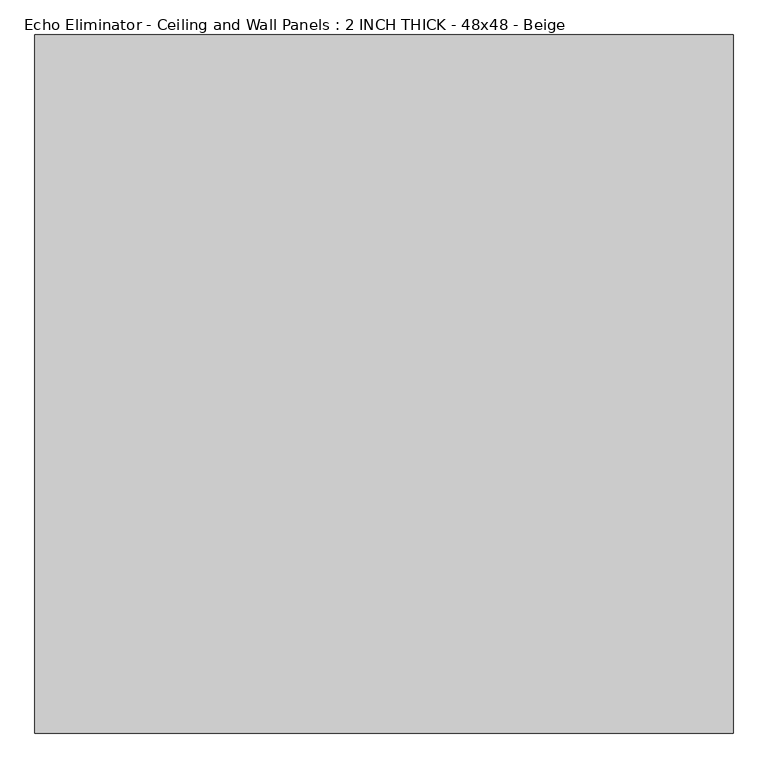
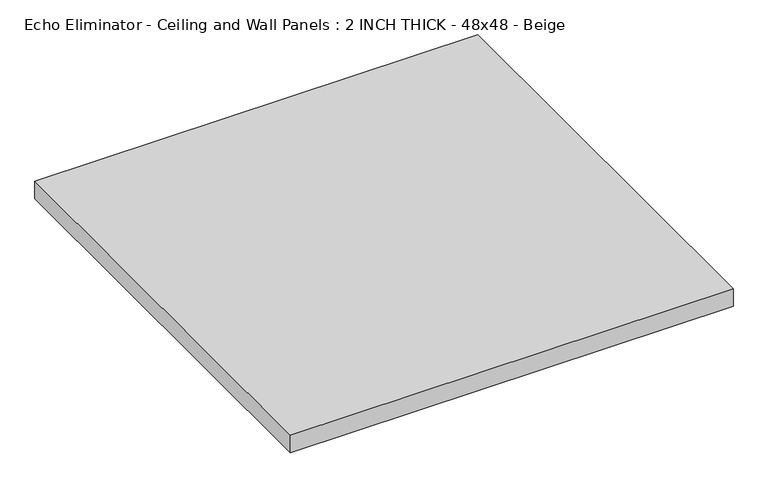
"""IFC4 building model written with IfcOpenShell, lengths in millimetres: proxy geometry, Echo Eliminator - Ceiling and Wall Panels : 2 INCH THICK - 48x48 - Beige."""

from ifc_helpers import new_model, si_unit, origin, origin_with_axes, place, context, project, spatial, polyline, outline, extrude, source, transform, mapped, element, save


def echo_eliminator_ceiling_and_wall_panels_2_inch_thick_48x48_2eef9029(model_context):
    return source(origin(), model_context, "Body", "SweptSolid", [
        extrude(outline(polyline([(-609.6, 609.6), (609.6, 609.6), (609.6, -609.6), (-609.6, -609.6), (-609.6, 609.6)])), origin_with_axes(), (0.0, 0.0, 1.0), 50.8),
    ])


if __name__ == "__main__":
    model = new_model("IFC4")
    model_context = context("Model", 3, world=origin())
    ifc_project = project(units=[si_unit("LENGTHUNIT", "METRE", prefix="MILLI")], contexts=[model_context])
    site = spatial("IfcSite", under=ifc_project)
    building = spatial("IfcBuilding", under=site)
    placement = place(None, origin())
    echo_eliminator_ceiling_and_wall_panels_2_inch_thick_48x48_shape = echo_eliminator_ceiling_and_wall_panels_2_inch_thick_48x48_2eef9029(model_context)
    element("IfcBuildingElementProxy", 1, Name="Echo Eliminator - Ceiling and Wall Panels : 2 INCH THICK - 48x48 - Beige", ObjectType="Echo Eliminator - Ceiling and Wall Panels : 2 INCH THICK - 48x48 - Beige", at=placement, inside=building, context=model_context, shape_type="MappedRepresentation", body=[
        mapped(echo_eliminator_ceiling_and_wall_panels_2_inch_thick_48x48_shape, transform((0.0, 0.0, 0.0), x_axis=(1.0, 0.0, 0.0), y_axis=(0.0, 1.0, 0.0), z_axis=(0.0, 0.0, 1.0))),
    ])
    save(model, "model.ifc")
